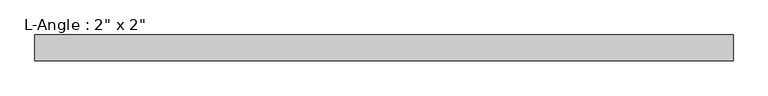
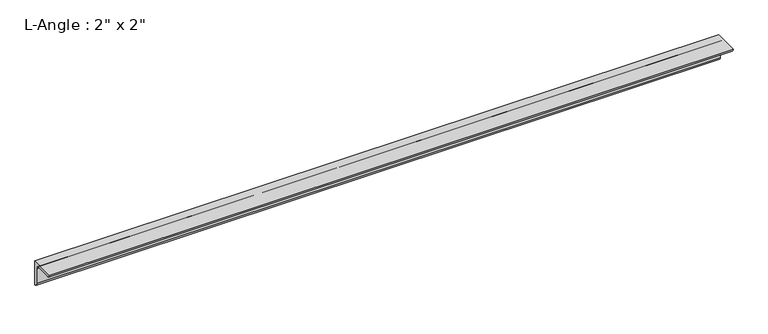
"""IFC4 building model written with IfcOpenShell, lengths in millimetres: beam geometry."""

from ifc_helpers import new_model, si_unit, point, frame, frame_2d, origin, place, context, project, spatial, polyline, circle_curve, trimmed, segment, composite_curve, outline, extrude, source, transform, mapped, element, save


def beam_904b60ac(model_context):
    return source(origin(), model_context, "Body", "SweptSolid", [
        extrude(outline(composite_curve([segment(polyline([(0.0, 0.0), (0.0, -50.8)]), True, "CONTINUOUS"), segment(trimmed(circle_curve(frame_2d((0.0, -44.45)), 6.35), [point((0.0, -50.8))], [point((-6.35, -44.45))], False, "CARTESIAN"), True, "CONTINUOUS"), segment(polyline([(-6.35, -44.45), (-6.35, -12.7)]), True, "CONTINUOUS"), segment(trimmed(circle_curve(frame_2d((-12.7, -12.7)), 6.35), [point((-6.35, -12.7))], [point((-12.7, -6.35))], True, "CARTESIAN"), True, "CONTINUOUS"), segment(polyline([(-12.7, -6.35), (-44.45, -6.35)]), True, "CONTINUOUS"), segment(trimmed(circle_curve(frame_2d((-44.45, 0.0)), 6.35), [point((-44.45, -6.35))], [point((-50.8, 0.0))], False, "CARTESIAN"), True, "CONTINUOUS"), segment(polyline([(-50.8, 0.0), (0.0, 0.0)]), True, "CONTINUOUS")], self_intersect=False)), frame((-690.226326, 0.0, 0.0), z_axis=(1.0, 0.0, 0.0), x_axis=(0.0, 1.0, 0.0)), (0.0, 0.0, 1.0), 1380.452652),
    ])


if __name__ == "__main__":
    model = new_model("IFC4")
    model_context = context("Model", 3, world=origin())
    ifc_project = project(units=[si_unit("LENGTHUNIT", "METRE", prefix="MILLI")], contexts=[model_context])
    site = spatial("IfcSite", under=ifc_project)
    building = spatial("IfcBuilding", under=site)
    placement = place(None, origin())
    beam_shape = beam_904b60ac(model_context)
    element("IfcBeam", 1, ObjectType="L-Angle : 2\" x 2\"", at=placement, inside=building, context=model_context, shape_type="MappedRepresentation", body=[
        mapped(beam_shape, transform((0.0, 0.0, 0.0), x_axis=(1.0, 0.0, 0.0), y_axis=(0.0, 1.0, 0.0), z_axis=(0.0, 0.0, 1.0))),
    ])
    save(model, "model.ifc")
